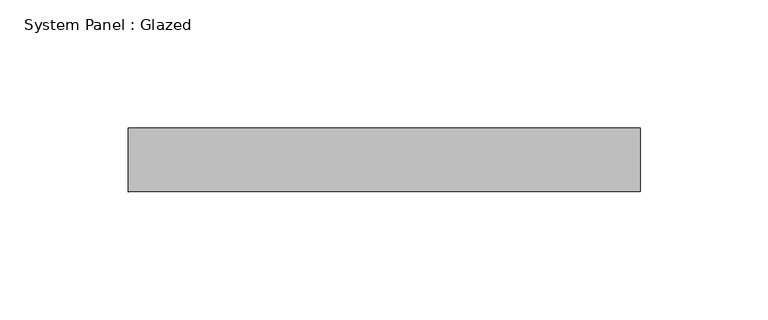
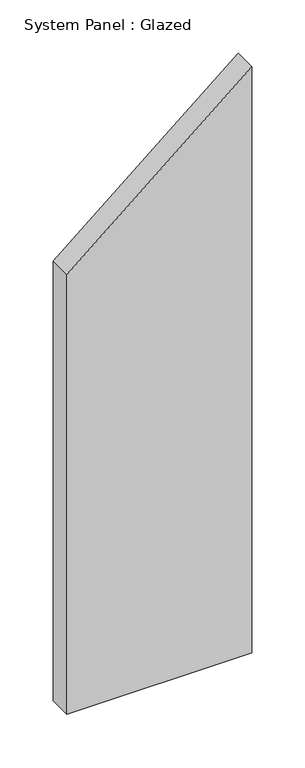
"""IFC4 building model written with IfcOpenShell, lengths in millimetres: plate geometry, System Panel : Glazed."""

import ifcopenshell
import ifcopenshell.guid

model = None  # the IFC model being written
_history = None  # IfcOwnerHistory: only IFC2X3 demands one
_inside = {}  # id of a spatial element -> (the spatial element, [elements in it])
_under = {}  # id of a project, library or spatial element -> (it, [spatial elements below it])
_declared = {}  # id of a project -> (the project, [libraries it declares])
_typed = {}  # id of a type object -> (the type object, [elements of that type])
_made_of = {}  # id of a material, layer set ... -> (it, [elements and type objects made of it])


def new_model(schema):
    """Start an empty IFC model of exactly this schema.

    Asked for "IFC4X3", IfcOpenShell would pick the latest addendum, in which some entities
    have other attributes; the version numbers below select the first issue.
    IFC2X3 requires an IfcOwnerHistory on every rooted entity: one is made here for all.
    """
    global model, _history
    if schema == "IFC4X3":
        model = ifcopenshell.file(schema_version=(4, 3, 0, 0))
    else:
        model = ifcopenshell.file(schema=schema)
    _inside.clear()
    _under.clear()
    _declared.clear()
    _typed.clear()
    _made_of.clear()
    _history = None
    if model.schema == "IFC2X3":
        org = make("IfcOrganization", Name="unknown")
        user = make(
            "IfcPersonAndOrganization",
            ThePerson=make("IfcPerson", FamilyName="unknown"),
            TheOrganization=org,
        )
        app = make(
            "IfcApplication",
            ApplicationDeveloper=org,
            Version="unknown",
            ApplicationFullName="unknown",
            ApplicationIdentifier="unknown",
        )
        _history = make(
            "IfcOwnerHistory",
            OwningUser=user,
            OwningApplication=app,
            ChangeAction="ADDED",
            CreationDate=0,
        )
    return model


def make(cls, **values):
    """One entity of the class cls with the attributes given. An attribute that is None is left unset."""
    return model.create_entity(
        cls, **{name: value for name, value in values.items() if value is not None}
    )


def rooted(cls, **values):
    """An entity with a GlobalId (a new one), such as an element, a storey or a relation."""
    return make(cls, GlobalId=ifcopenshell.guid.new(), OwnerHistory=_history, **values)


def si_unit(unit_type, name, prefix=None):
    """IfcSIUnit, for example si_unit("LENGTHUNIT", "METRE", prefix="MILLI")."""
    return make("IfcSIUnit", UnitType=unit_type, Prefix=prefix, Name=name)


def assignment(units):
    """IfcUnitAssignment: the units of a project."""
    return None if units is None else make("IfcUnitAssignment", Units=units)


def point(xyz):
    """IfcCartesianPoint."""
    return None if xyz is None else make("IfcCartesianPoint", Coordinates=xyz)


def direction(xyz):
    """IfcDirection."""
    return None if xyz is None else make("IfcDirection", DirectionRatios=xyz)


def frame(location, z_axis=None, x_axis=None):
    """IfcAxis2Placement3D, a coordinate frame: its origin and axes. An axis left out is left unset."""
    return make(
        "IfcAxis2Placement3D",
        Location=point(location),
        Axis=direction(z_axis),
        RefDirection=direction(x_axis),
    )


def origin():
    """The frame at (0, 0, 0) with its axes left unset."""
    return frame((0.0, 0.0, 0.0))


def place(relative_to, where):
    """IfcLocalPlacement: puts the frame where relative to a parent placement (None: the world)."""
    return make(
        "IfcLocalPlacement", PlacementRelTo=relative_to, RelativePlacement=where
    )


def context(
    kind, dimensions, precision=None, world=None, true_north=None, identifier=None
):
    """IfcGeometricRepresentationContext, for example the 3D "Model" context."""
    return make(
        "IfcGeometricRepresentationContext",
        ContextIdentifier=identifier,
        ContextType=kind,
        CoordinateSpaceDimension=dimensions,
        Precision=precision,
        WorldCoordinateSystem=world,
        TrueNorth=true_north,
    )


def project(units=None, contexts=None):
    """IfcProject with its units and contexts."""
    return rooted(
        "IfcProject",
        Name="project",
        RepresentationContexts=contexts,
        UnitsInContext=assignment(units),
    )


def spatial(cls, under=None, at=None, **own):
    """A site, building, storey or space (cls), placed at a placement, below another one or the project."""
    s = rooted(cls, ObjectPlacement=at, **own)
    if under is not None:
        _under.setdefault(under.id(), (under, []))[1].append(s)
    return s


def polyline(points):
    """IfcPolyline through the points."""
    return make("IfcPolyline", Points=[point(p) for p in points])


def outline(outer, holes=None, kind="AREA"):
    """IfcArbitraryClosedProfileDef: a profile drawn as a closed curve; with holes, ...WithVoids."""
    if holes is None:
        return make("IfcArbitraryClosedProfileDef", ProfileType=kind, OuterCurve=outer)
    return make(
        "IfcArbitraryProfileDefWithVoids",
        ProfileType=kind,
        OuterCurve=outer,
        InnerCurves=holes,
    )


def extrude(swept, where, along, depth):
    """IfcExtrudedAreaSolid: the profile swept, set in the frame where, extruded along a direction by depth."""
    return make(
        "IfcExtrudedAreaSolid",
        SweptArea=swept,
        Position=where,
        ExtrudedDirection=direction(along),
        Depth=depth,
    )


def shape(context_of_items, identifier, shape_type, items):
    """IfcShapeRepresentation: the items that make up one representation, for example the "Body"."""
    return make(
        "IfcShapeRepresentation",
        ContextOfItems=context_of_items,
        RepresentationIdentifier=identifier,
        RepresentationType=shape_type,
        Items=items,
    )


def source(mapping_origin, context_of_items, identifier, shape_type, items):
    """IfcRepresentationMap: a shape defined once, which mapped items show again and again."""
    return make(
        "IfcRepresentationMap",
        MappingOrigin=mapping_origin,
        MappedRepresentation=shape(context_of_items, identifier, shape_type, items),
    )


def transform(
    local_origin,
    x_axis=None,
    y_axis=None,
    z_axis=None,
    scale=None,
    scale2=None,
    scale3=None,
    uniform=True,
):
    """IfcCartesianTransformationOperator3D, or its non-uniform kind. x_axis, y_axis, z_axis: its Axis1, 2, 3."""
    if uniform:
        return make(
            "IfcCartesianTransformationOperator3D",
            Axis1=direction(x_axis),
            Axis2=direction(y_axis),
            LocalOrigin=point(local_origin),
            Scale=scale,
            Axis3=direction(z_axis),
        )
    return make(
        "IfcCartesianTransformationOperator3DnonUniform",
        Axis1=direction(x_axis),
        Axis2=direction(y_axis),
        LocalOrigin=point(local_origin),
        Scale=scale,
        Axis3=direction(z_axis),
        Scale2=scale2,
        Scale3=scale3,
    )


def mapped(mapping_source, mapping_target):
    """IfcMappedItem: shows the shape of a source again, moved by a transform."""
    return make(
        "IfcMappedItem", MappingSource=mapping_source, MappingTarget=mapping_target
    )


def made_of(thing, what):
    """Note that an element or type object is made of a material, layer set ...; save() writes the relation."""
    if what is not None:
        _made_of.setdefault(what.id(), (what, []))[1].append(thing)
    return thing


def element(
    cls,
    number,
    at=None,
    inside=None,
    cuts=None,
    type_object=None,
    material=None,
    context=None,
    identifier="Body",
    shape_type=None,
    held_by="IfcProductDefinitionShape",
    body=None,
    shapes=None,
    **own,
):
    """One element of the class cls, such as IfcWall. Its Tag is "e" and its number.

    at: its placement. inside: the storey or other place that contains it. cuts: it is an
    opening in that element (IfcRelVoidsElement). A single representation is given by context,
    identifier, shape_type and body (its items); several are given by shapes. held_by: the class
    of the entity that holds the representations. save() writes the other relations.
    """
    e = rooted(cls, Tag="e%d" % number, ObjectPlacement=at, **own)
    if body is not None:
        shapes = [shape(context, identifier, shape_type, body)]
    if shapes is not None:
        e.Representation = make(held_by, Representations=shapes)
    if inside is not None:
        _inside.setdefault(inside.id(), (inside, []))[1].append(e)
    if cuts is not None:
        rooted(
            "IfcRelVoidsElement", RelatingBuildingElement=cuts, RelatedOpeningElement=e
        )
    if type_object is not None:
        _typed.setdefault(type_object.id(), (type_object, []))[1].append(e)
    return made_of(e, material)


def aggregate(whole, parts):
    """IfcRelAggregates: a whole, such as a stair, and the parts it consists of."""
    return rooted("IfcRelAggregates", RelatingObject=whole, RelatedObjects=parts)


def save(model, path):
    """Write the relations noted so far, then the file.

    IfcRelAggregates (storeys below a building ...), IfcRelContainedInSpatialStructure (elements
    in a storey), IfcRelDefinesByType, IfcRelAssociatesMaterial and IfcRelDeclares: one each for
    every whole, place, type object, material and project.
    """
    for whole, parts in _under.values():
        aggregate(whole, parts)
    for where, things in _inside.values():
        rooted(
            "IfcRelContainedInSpatialStructure",
            RelatedElements=things,
            RelatingStructure=where,
        )
    for kind, things in _typed.values():
        rooted("IfcRelDefinesByType", RelatedObjects=things, RelatingType=kind)
    for what, things in _made_of.values():
        rooted("IfcRelAssociatesMaterial", RelatedObjects=things, RelatingMaterial=what)
    for by, libraries in _declared.values():
        rooted("IfcRelDeclares", RelatingContext=by, RelatedDefinitions=libraries)
    model.write(path)


def system_panel_glazed_a18d63c5(model_context):
    return source(origin(), model_context, "Body", "SweptSolid", [
        extrude(outline(polyline([(0.0, -100.0), (0.0, 100.0), (671.2797052, 100.0), (503.459779, -100.0), (0.0, -100.0)])), frame((0.0, 24.5, 0.0), z_axis=(0.0, 1.0, 0.0), x_axis=(0.0, 0.0, 1.0)), (0.0, 0.0, 1.0), 25.0),
    ])


if __name__ == "__main__":
    model = new_model("IFC4")
    model_context = context("Model", 3, world=origin())
    ifc_project = project(units=[si_unit("LENGTHUNIT", "METRE", prefix="MILLI")], contexts=[model_context])
    site = spatial("IfcSite", under=ifc_project)
    building = spatial("IfcBuilding", under=site)
    placement = place(None, origin())
    system_panel_glazed_shape = system_panel_glazed_a18d63c5(model_context)
    element("IfcPlate", 1, ObjectType="System Panel : Glazed", at=placement, inside=building, context=model_context, shape_type="MappedRepresentation", body=[
        mapped(system_panel_glazed_shape, transform((0.0, 0.0, 0.0), x_axis=(1.0, 0.0, 0.0), y_axis=(0.0, 1.0, 0.0), z_axis=(0.0, 0.0, 1.0))),
    ])
    save(model, "model.ifc")
